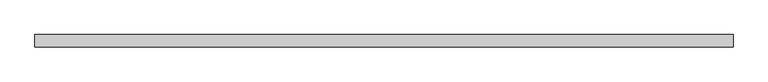
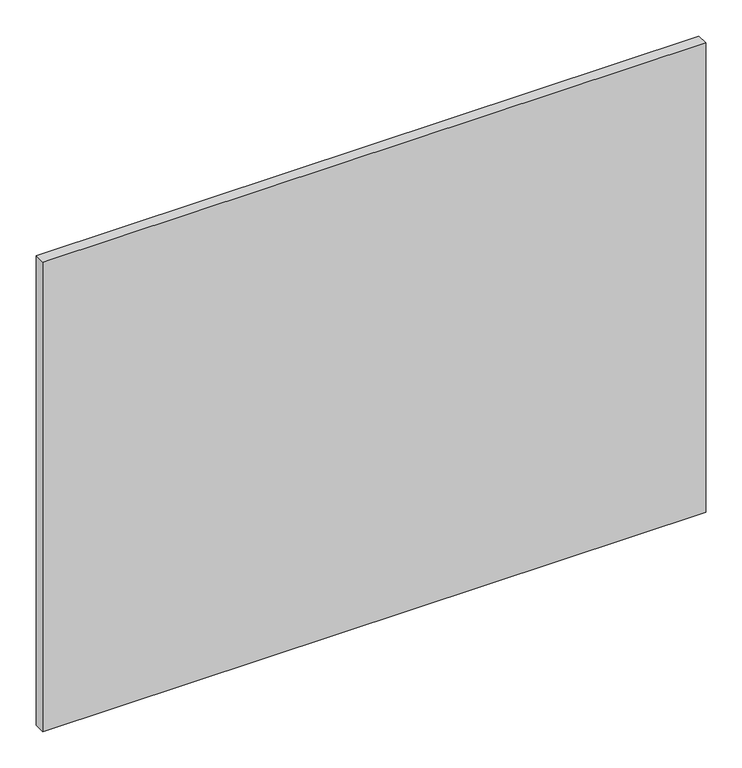
"""IFC4 building model written with IfcOpenShell, lengths in millimetres: proxy geometry."""

from ifc_helpers import new_model, si_unit, frame, origin, place, context, project, spatial, polyline, outline, extrude, source, transform, mapped, element, save


def specialty_equipment_81558efe(model_context):
    return source(origin(), model_context, "Body", "SweptSolid", [
        extrude(outline(polyline([(531.5204, 0.0), (531.5204, -19.05), (-531.5204, -19.05), (-531.5204, 0.0), (531.5204, 0.0)])), frame((0.0, 0.0, 3.175), z_axis=(0.0, 0.0, 1.0), x_axis=(1.0, 0.0, 0.0)), (0.0, 0.0, 1.0), 796.0868001),
    ])


if __name__ == "__main__":
    model = new_model("IFC4")
    model_context = context("Model", 3, world=origin())
    ifc_project = project(units=[si_unit("LENGTHUNIT", "METRE", prefix="MILLI")], contexts=[model_context])
    site = spatial("IfcSite", under=ifc_project)
    building = spatial("IfcBuilding", under=site)
    placement = place(None, origin())
    specialty_equipment_shape = specialty_equipment_81558efe(model_context)
    element("IfcBuildingElementProxy", 1, Name="Specialty Equipment", at=placement, inside=building, context=model_context, shape_type="MappedRepresentation", body=[
        mapped(specialty_equipment_shape, transform((0.0, 0.0, 0.0), x_axis=(1.0, 0.0, 0.0), y_axis=(0.0, 1.0, 0.0), z_axis=(0.0, 0.0, 1.0))),
    ])
    save(model, "model.ifc")
